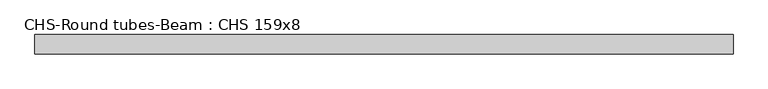
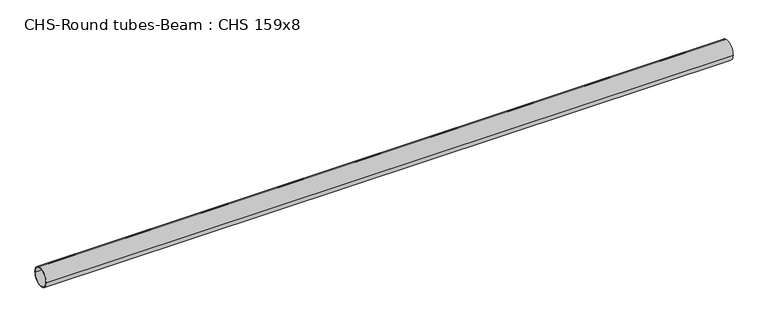
"""IFC4 building model written with IfcOpenShell, lengths in millimetres: beam geometry, CHS-Round tubes-Beam : CHS 159x8."""

from ifc_helpers import new_model, si_unit, point, frame, origin, origin_2d, place, context, project, spatial, circle_curve, trimmed, segment, composite_curve, outline, extrude, source, transform, mapped, element, save


def chs_round_tubes_beam_chs_159x8_72db35b5(model_context):
    return source(origin(), model_context, "Body", "SweptSolid", [
        extrude(outline(composite_curve([segment(trimmed(circle_curve(origin_2d(), 79.5), [point((79.5, 0.0))], [point((-79.5, 0.0))], False, "CARTESIAN"), True, "CONTINUOUS"), segment(trimmed(circle_curve(origin_2d(), 79.5), [point((-79.5, 0.0))], [point((79.5, 0.0))], False, "CARTESIAN"), True, "CONTINUOUS")], self_intersect=False), holes=[composite_curve([segment(trimmed(circle_curve(origin_2d(), 71.5), [point((71.5, 0.0))], [point((-71.5, 0.0))], True, "CARTESIAN"), True, "CONTINUOUS"), segment(trimmed(circle_curve(origin_2d(), 71.5), [point((-71.5, 0.0))], [point((71.5, 0.0))], True, "CARTESIAN"), True, "CONTINUOUS")], self_intersect=False)]), frame((-2833.6379176, 0.0, 0.0), z_axis=(1.0, 0.0, 0.0), x_axis=(0.0, 1.0, 0.0)), (0.0, 0.0, 1.0), 5671.4637049),
    ])


if __name__ == "__main__":
    model = new_model("IFC4")
    model_context = context("Model", 3, world=origin())
    ifc_project = project(units=[si_unit("LENGTHUNIT", "METRE", prefix="MILLI")], contexts=[model_context])
    site = spatial("IfcSite", under=ifc_project)
    building = spatial("IfcBuilding", under=site)
    placement = place(None, origin())
    chs_round_tubes_beam_chs_159x8_shape = chs_round_tubes_beam_chs_159x8_72db35b5(model_context)
    element("IfcBeam", 1, ObjectType="CHS-Round tubes-Beam : CHS 159x8", at=placement, inside=building, context=model_context, shape_type="MappedRepresentation", body=[
        mapped(chs_round_tubes_beam_chs_159x8_shape, transform((0.0, 0.0, 0.0), x_axis=(1.0, 0.0, 0.0), y_axis=(0.0, 1.0, 0.0), z_axis=(0.0, 0.0, 1.0))),
    ])
    save(model, "model.ifc")
